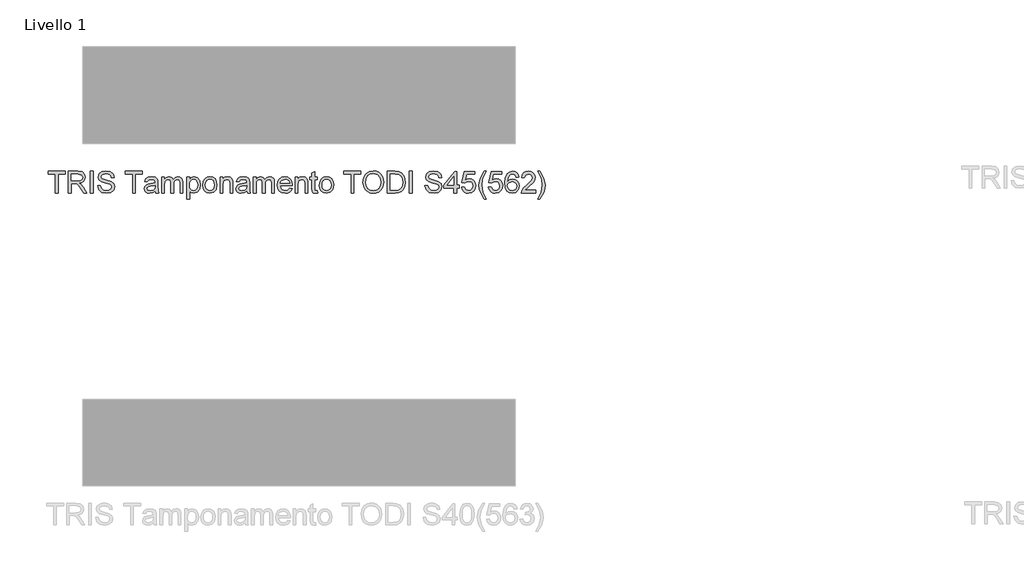
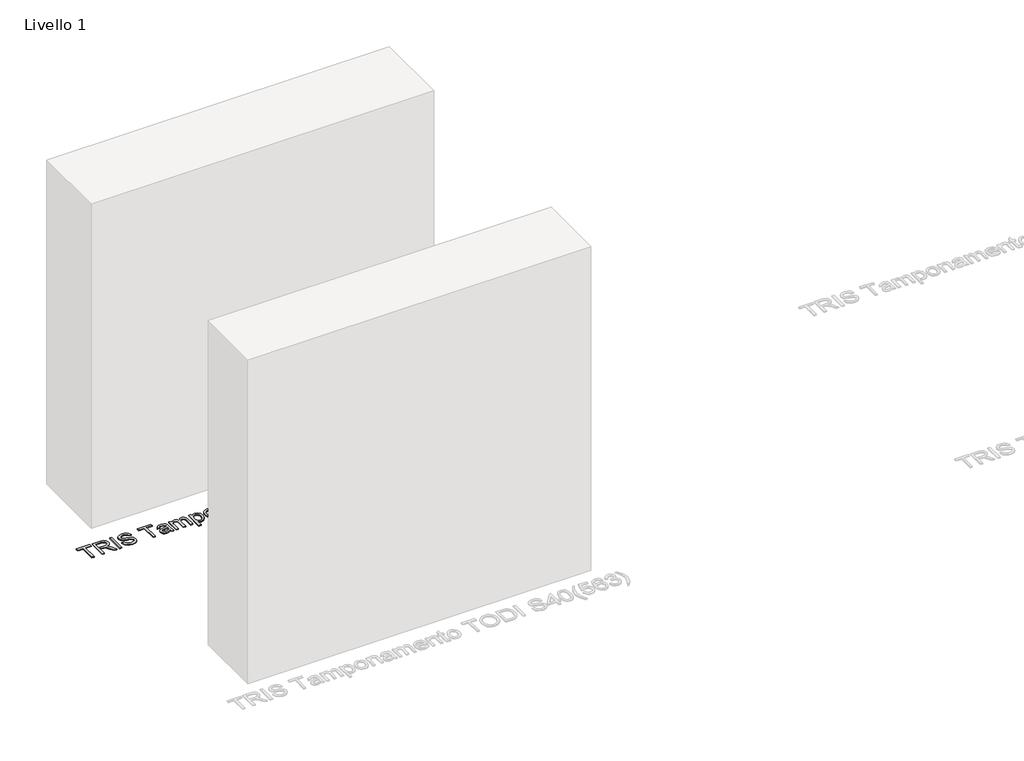
# One storey, part 13 of 18: 1 proxy.
"""IFC4 building model written with IfcOpenShell, lengths in millimetres."""

from ifc_helpers import new_model, si_unit, origin, origin_with_axes, place, context, project, spatial, polyline, outline, extrude, element, save

model = new_model("IFC4")

# Units and contexts
model_context = context("Model", 3, world=origin())
ifc_project = project(units=[si_unit("LENGTHUNIT", "METRE", prefix="MILLI")], contexts=[model_context])

# Site, building, storey
site = spatial("IfcSite", under=ifc_project)
building = spatial("IfcBuilding", under=site)
storey = spatial("IfcBuildingStorey", under=building, Name="Livello 1", Elevation=0.0)

# Proxy
placement = place(None, origin())
element("IfcBuildingElementProxy", 1, Name="100", ObjectType="100", at=placement, inside=storey, context=model_context, shape_type="SweptSolid", body=[
    extrude(outline(polyline([(-5546.4576679, 3147.1030238), (-5546.4576679, 3235.0022952), (-5579.4198946, 3235.0022952), (-5579.4198946, 3247.5593339), (-5500.9384023, 3247.5593339), (-5500.9384023, 3235.0022952), (-5533.9006291, 3235.0022952), (-5533.9006291, 3147.1030238), (-5546.4576679, 3147.1030238)])), origin_with_axes(), (0.0, 0.0, 1.0), 5.0),
    extrude(outline(polyline([(-5486.8117337, 3147.1030238), (-5486.8117337, 3247.5593339), (-5443.5242856, 3247.5593339), (-5423.4256659, 3244.8492699), (-5412.438257, 3235.2598126), (-5408.3302414, 3220.0662862), (-5410.0316956, 3210.1702605), (-5415.1360583, 3201.966492), (-5423.7966136, 3195.9516214), (-5436.1666457, 3192.6222893), (-5429.029735, 3187.2512122), (-5418.8516665, 3174.3262914), (-5402.100773, 3147.1030238), (-5416.6934254, 3147.1030238), (-5429.765499, 3167.9251447), (-5439.2078035, 3181.7084568), (-5445.8419422, 3188.2199681), (-5451.8138932, 3190.6112011), (-5459.0979567, 3191.0526595), (-5474.2546949, 3191.0526595), (-5474.2546949, 3147.1030238), (-5486.8117337, 3147.1030238)]), holes=[polyline([(-5474.2546949, 3203.6096982), (-5446.1485105, 3203.6096982), (-5431.8133754, 3205.3877945), (-5423.6709206, 3211.0777027), (-5420.8872802, 3219.6003023), (-5426.1970436, 3230.6612876), (-5442.9847254, 3235.0022952), (-5474.2546949, 3235.0022952), (-5474.2546949, 3203.6096982)])]), origin_with_axes(), (0.0, 0.0, 1.0), 5.0),
    extrude(outline(polyline([(-5384.7857937, 3147.1030238), (-5384.7857937, 3247.5593339), (-5372.2287549, 3247.5593339), (-5372.2287549, 3147.1030238), (-5384.7857937, 3147.1030238)])), origin_with_axes(), (0.0, 0.0, 1.0), 5.0),
    extrude(outline(polyline([(-5351.8235669, 3181.6348804), (-5339.2665282, 3181.6348804), (-5335.2198262, 3169.0655789), (-5325.3360633, 3161.1193278), (-5310.277427, 3158.0904327), (-5297.1563025, 3160.3835638), (-5288.6827538, 3166.6866087), (-5285.8991134, 3175.1111063), (-5287.9837781, 3182.9469928), (-5296.5186403, 3188.6491638), (-5314.8023755, 3193.4438924), (-5334.4840622, 3199.6365727), (-5345.1649028, 3208.9807754), (-5348.6843073, 3221.4642377), (-5344.331037, 3235.6767455), (-5331.6145827, 3245.7076612), (-5312.9997537, 3249.1289638), (-5293.134126, 3245.5482457), (-5279.8903742, 3235.0268206), (-5274.9117045, 3219.3059967), (-5287.4687433, 3219.3059967), (-5289.7741371, 3226.7985267), (-5294.5811285, 3232.206392), (-5312.5092444, 3236.571925), (-5330.4864112, 3232.2554429), (-5336.1272685, 3221.8321197), (-5332.1296175, 3213.1255792), (-5311.6263276, 3206.1112958), (-5289.4062551, 3199.808251), (-5277.2538865, 3189.6301824), (-5273.3420746, 3175.4299374), (-5277.8424977, 3160.4080893), (-5290.7919439, 3149.4452058), (-5309.7869176, 3145.5333939), (-5332.2154566, 3149.7517741), (-5346.4034389, 3162.4559657), (-5351.8235669, 3181.6348804)])), origin_with_axes(), (0.0, 0.0, 1.0), 5.0),
    extrude(outline(polyline([(-5190.1516928, 3147.1030238), (-5190.1516928, 3235.0022952), (-5223.1139196, 3235.0022952), (-5223.1139196, 3247.5593339), (-5144.6324273, 3247.5593339), (-5144.6324273, 3235.0022952), (-5177.594654, 3235.0022952), (-5177.594654, 3147.1030238), (-5190.1516928, 3147.1030238)])), origin_with_axes(), (0.0, 0.0, 1.0), 5.0),
    extrude(outline(polyline([(-5084.9864931, 3156.5208029), (-5097.1633872, 3148.010466), (-5110.6156054, 3145.5333939), (-5121.1094394, 3147.023316), (-5128.8502897, 3151.4930823), (-5133.6235586, 3158.2805051), (-5135.2146482, 3166.7233969), (-5132.8111525, 3176.6562107), (-5126.4958449, 3183.8666978), (-5117.7034652, 3187.9869762), (-5106.8386836, 3189.8754371), (-5085.0600695, 3194.1919192), (-5084.9864931, 3196.9878223), (-5088.4445839, 3206.2584486), (-5102.3259978, 3209.8882176), (-5115.0301894, 3207.4724592), (-5121.0879796, 3198.9008087), (-5133.6450183, 3200.4704385), (-5128.2126275, 3212.7331717), (-5117.2742696, 3219.9191334), (-5100.707317, 3222.4452564), (-5085.4892652, 3220.213439), (-5076.8930892, 3214.6093699), (-5073.042591, 3206.0867703), (-5072.4294543, 3195.0993614), (-5072.4294543, 3179.4766394), (-5071.7917922, 3157.661237), (-5069.2901947, 3147.1030238), (-5081.8472334, 3147.1030238), (-5084.9864931, 3156.5208029)]), holes=[polyline([(-5084.9864931, 3181.6348804), (-5105.2445283, 3177.7843822), (-5116.0479962, 3175.7487685), (-5120.9408268, 3172.4378305), (-5122.6576094, 3167.6063136), (-5118.9174758, 3160.8127595), (-5107.9423296, 3158.0904327), (-5095.238138, 3161.0948023), (-5087.0466323, 3168.3666031), (-5085.0600695, 3178.0786878), (-5084.9864931, 3181.6348804)])]), origin_with_axes(), (0.0, 0.0, 1.0), 5.0),
    extrude(outline(polyline([(-5055.163526, 3147.1030238), (-5055.163526, 3220.8756265), (-5042.6064873, 3220.8756265), (-5042.6064873, 3208.7355207), (-5033.9735231, 3218.6805973), (-5021.6862645, 3222.4452564), (-5009.1047002, 3218.6070209), (-5002.1885187, 3207.8526039), (-4992.3905949, 3218.7970933), (-4980.0174972, 3222.4452564), (-4970.5782583, 3220.9277432), (-4963.5976974, 3216.3752035), (-4959.284281, 3208.66501), (-4957.8464756, 3197.6745354), (-4957.8464756, 3147.1030238), (-4970.4035143, 3147.1030238), (-4970.4035143, 3192.2789328), (-4971.568474, 3202.7635696), (-4975.7868542, 3207.9261803), (-4982.9605531, 3209.8882176), (-4995.3091254, 3204.860497), (-4998.9971424, 3198.3183289), (-5000.2264814, 3188.7472656), (-5000.2264814, 3147.1030238), (-5012.7835202, 3147.1030238), (-5012.7835202, 3193.6768844), (-5015.689788, 3205.8415157), (-5025.2179316, 3209.8882176), (-5034.5130834, 3207.1904163), (-5040.6935009, 3199.2932162), (-5042.6064873, 3184.3081562), (-5042.6064873, 3147.1030238), (-5055.163526, 3147.1030238)])), origin_with_axes(), (0.0, 0.0, 1.0), 5.0),
    extrude(outline(polyline([(-4939.0109174, 3118.8496865), (-4939.0109174, 3220.8756265), (-4926.4538787, 3220.8756265), (-4926.4538787, 3208.5638424), (-4917.7718636, 3218.9749029), (-4906.0486907, 3222.4452564), (-4890.131663, 3217.5892141), (-4879.7328653, 3203.9040038), (-4876.2257236, 3184.5534109), (-4880.1865864, 3164.2095366), (-4891.6890301, 3150.3526481), (-4907.5692696, 3145.5333939), (-4918.4953648, 3148.7584928), (-4926.4538787, 3156.9132103), (-4926.4538787, 3118.8496865), (-4939.0109174, 3118.8496865)]), holes=[polyline([(-4926.4538787, 3183.400714), (-4925.095781, 3172.1435249), (-4921.0214879, 3164.2708502), (-4915.0096829, 3159.6355371), (-4907.8390497, 3158.0904327), (-4900.5519205, 3159.6907194), (-4894.3868314, 3164.4915794), (-4890.1837796, 3172.6524283), (-4888.7827624, 3184.3326817), (-4890.1500571, 3195.5285571), (-4894.2519413, 3203.5115964), (-4900.2545492, 3208.2940623), (-4907.3240149, 3209.8882176), (-4914.4210717, 3208.1928948), (-4920.6536059, 3203.1069262), (-4925.0038105, 3194.7897274), (-4926.4538787, 3183.400714)])]), origin_with_axes(), (0.0, 0.0, 1.0), 5.0),
    extrude(outline(polyline([(-4865.2383147, 3183.9893252), (-4862.5221193, 3201.7764196), (-4854.3735331, 3214.2782761), (-4844.3058291, 3220.4035113), (-4832.2515624, 3222.4452564), (-4819.0599272, 3219.9589872), (-4808.5231737, 3212.5001798), (-4801.6161893, 3200.6574452), (-4799.3138611, 3185.0193947), (-4803.3850885, 3162.6766949), (-4815.2431515, 3150.033817), (-4832.2515624, 3145.5333939), (-4845.6026132, 3148.010466), (-4856.1271039, 3155.4416823), (-4862.960512, 3167.5327372), (-4865.2383147, 3183.9893252)]), holes=[polyline([(-4852.6812759, 3184.0138506), (-4851.228142, 3172.6493627), (-4846.8687404, 3164.5528931), (-4840.3081781, 3159.7060478), (-4832.2515624, 3158.0904327), (-4824.2317349, 3159.7152448), (-4817.6834354, 3164.5896813), (-4813.3240338, 3172.7934498), (-4811.8708999, 3184.4062581), (-4813.3332308, 3195.4396523), (-4817.7202236, 3203.4257572), (-4824.2777202, 3208.2726025), (-4832.2515624, 3209.8882176), (-4840.3081781, 3208.2787339), (-4846.8687404, 3203.4502827), (-4851.228142, 3195.3722072), (-4852.6812759, 3184.0138506)])]), origin_with_axes(), (0.0, 0.0, 1.0), 5.0),
    extrude(outline(polyline([(-4785.1871925, 3147.1030238), (-4785.1871925, 3220.8756265), (-4772.6301537, 3220.8756265), (-4772.6301537, 3210.5749307), (-4763.0284337, 3219.477675), (-4749.9195719, 3222.4452564), (-4738.0615089, 3220.0540234), (-4729.968105, 3213.775504), (-4726.203446, 3204.541666), (-4725.5412584, 3192.4015601), (-4725.5412584, 3147.1030238), (-4738.0982971, 3147.1030238), (-4738.0982971, 3190.7093029), (-4739.5452996, 3201.8193392), (-4744.6588594, 3207.6931884), (-4753.2795608, 3209.8882176), (-4766.9034574, 3204.9585989), (-4771.1984796, 3197.8155568), (-4772.6301537, 3186.2456681), (-4772.6301537, 3147.1030238), (-4785.1871925, 3147.1030238)])), origin_with_axes(), (0.0, 0.0, 1.0), 5.0),
    extrude(outline(polyline([(-4661.1864347, 3156.5208029), (-4673.3633287, 3148.010466), (-4686.815547, 3145.5333939), (-4697.3093809, 3147.023316), (-4705.0502312, 3151.4930823), (-4709.8235001, 3158.2805051), (-4711.4145897, 3166.7233969), (-4709.011094, 3176.6562107), (-4702.6957865, 3183.8666978), (-4693.9034068, 3187.9869762), (-4683.0386252, 3189.8754371), (-4661.2600111, 3194.1919192), (-4661.1864347, 3196.9878223), (-4664.6445254, 3206.2584486), (-4678.5259394, 3209.8882176), (-4691.2301309, 3207.4724592), (-4697.2879211, 3198.9008087), (-4709.8449599, 3200.4704385), (-4704.4125691, 3212.7331717), (-4693.4742111, 3219.9191334), (-4676.9072586, 3222.4452564), (-4661.6892067, 3220.213439), (-4653.0930308, 3214.6093699), (-4649.2425326, 3206.0867703), (-4648.6293959, 3195.0993614), (-4648.6293959, 3179.4766394), (-4647.9917338, 3157.661237), (-4645.4901362, 3147.1030238), (-4658.047175, 3147.1030238), (-4661.1864347, 3156.5208029)]), holes=[polyline([(-4661.1864347, 3181.6348804), (-4681.4444699, 3177.7843822), (-4692.2479378, 3175.7487685), (-4697.1407683, 3172.4378305), (-4698.857551, 3167.6063136), (-4695.1174174, 3160.8127595), (-4684.1422712, 3158.0904327), (-4671.4380796, 3161.0948023), (-4663.2465738, 3168.3666031), (-4661.2600111, 3178.0786878), (-4661.1864347, 3181.6348804)])]), origin_with_axes(), (0.0, 0.0, 1.0), 5.0),
    extrude(outline(polyline([(-4631.3634676, 3147.1030238), (-4631.3634676, 3220.8756265), (-4618.8064288, 3220.8756265), (-4618.8064288, 3208.7355207), (-4610.1734647, 3218.6805973), (-4597.886206, 3222.4452564), (-4585.3046418, 3218.6070209), (-4578.3884603, 3207.8526039), (-4568.5905365, 3218.7970933), (-4556.2174387, 3222.4452564), (-4546.7781999, 3220.9277432), (-4539.797639, 3216.3752035), (-4535.4842226, 3208.66501), (-4534.0464171, 3197.6745354), (-4534.0464171, 3147.1030238), (-4546.6034559, 3147.1030238), (-4546.6034559, 3192.2789328), (-4547.7684156, 3202.7635696), (-4551.9867958, 3207.9261803), (-4559.1604947, 3209.8882176), (-4571.509067, 3204.860497), (-4575.197084, 3198.3183289), (-4576.426423, 3188.7472656), (-4576.426423, 3147.1030238), (-4588.9834617, 3147.1030238), (-4588.9834617, 3193.6768844), (-4591.8897295, 3205.8415157), (-4601.4178732, 3209.8882176), (-4610.7130249, 3207.1904163), (-4616.8934425, 3199.2932162), (-4618.8064288, 3184.3081562), (-4618.8064288, 3147.1030238), (-4631.3634676, 3147.1030238)])), origin_with_axes(), (0.0, 0.0, 1.0), 5.0),
    extrude(outline(polyline([(-4463.5602269, 3169.0778416), (-4451.2484428, 3167.5082118), (-4455.6844865, 3158.2314541), (-4462.7631492, 3151.2968785), (-4472.3250154, 3146.9742651), (-4484.2106695, 3145.5333939), (-4498.9443434, 3148.0196631), (-4510.2812402, 3155.4784705), (-4517.5101215, 3167.4254383), (-4519.9197485, 3183.3761885), (-4517.485596, 3199.8634333), (-4510.1831384, 3212.1936115), (-4498.9995257, 3219.8823452), (-4484.921908, 3222.4452564), (-4471.2826831, 3219.8884765), (-4460.384179, 3212.2181369), (-4453.2380712, 3199.9124842), (-4450.8560353, 3183.4497649), (-4450.9296117, 3180.0652505), (-4507.3627098, 3180.0652505), (-4505.1891403, 3170.6658656), (-4500.1399599, 3163.7558154), (-4492.8528307, 3159.5067784), (-4483.9654149, 3158.0904327), (-4471.6536308, 3160.7146576), (-4463.5602269, 3169.0778416)]), holes=[polyline([(-4507.3627098, 3192.6222893), (-4463.4130741, 3192.6222893), (-4468.4407947, 3204.0021057), (-4475.7616464, 3208.4166896), (-4484.970959, 3209.8882176), (-4500.4342655, 3205.1915908), (-4505.2995049, 3199.700952), (-4507.3627098, 3192.6222893)])]), origin_with_axes(), (0.0, 0.0, 1.0), 5.0),
    extrude(outline(polyline([(-4438.2989965, 3147.1030238), (-4438.2989965, 3220.8756265), (-4425.7419578, 3220.8756265), (-4425.7419578, 3210.5749307), (-4416.1402377, 3219.477675), (-4403.0313759, 3222.4452564), (-4391.1733129, 3220.0540234), (-4383.079909, 3213.775504), (-4379.31525, 3204.541666), (-4378.6530624, 3192.4015601), (-4378.6530624, 3147.1030238), (-4391.2101011, 3147.1030238), (-4391.2101011, 3190.7093029), (-4392.6571037, 3201.8193392), (-4397.7706634, 3207.6931884), (-4406.3913648, 3209.8882176), (-4420.0152614, 3204.9585989), (-4424.3102837, 3197.8155568), (-4425.7419578, 3186.2456681), (-4425.7419578, 3147.1030238), (-4438.2989965, 3147.1030238)])), origin_with_axes(), (0.0, 0.0, 1.0), 5.0),
    extrude(outline(polyline([(-4334.7034267, 3157.5753979), (-4333.1337968, 3146.7351418), (-4342.5270504, 3145.5333939), (-4353.0484755, 3147.6180586), (-4358.2969253, 3153.0872376), (-4359.8175042, 3167.3365335), (-4359.8175042, 3208.3185878), (-4369.2352833, 3208.3185878), (-4369.2352833, 3220.8756265), (-4359.8175042, 3220.8756265), (-4359.8175042, 3238.8037424), (-4347.2604655, 3246.1859078), (-4347.2604655, 3220.8756265), (-4334.7034267, 3220.8756265), (-4334.7034267, 3208.3185878), (-4347.2604655, 3208.3185878), (-4347.2604655, 3167.7044155), (-4346.5982779, 3161.2296924), (-4344.4522996, 3158.9365613), (-4340.1726057, 3158.0904327), (-4334.7034267, 3157.5753979)])), origin_with_axes(), (0.0, 0.0, 1.0), 5.0),
    extrude(outline(polyline([(-4325.2856476, 3183.9893252), (-4322.5694522, 3201.7764196), (-4314.420866, 3214.2782761), (-4304.3531621, 3220.4035113), (-4292.2988954, 3222.4452564), (-4279.1072602, 3219.9589872), (-4268.5705067, 3212.5001798), (-4261.6635222, 3200.6574452), (-4259.3611941, 3185.0193947), (-4263.4324215, 3162.6766949), (-4275.2904845, 3150.033817), (-4292.2988954, 3145.5333939), (-4305.6499461, 3148.010466), (-4316.1744369, 3155.4416823), (-4323.0078449, 3167.5327372), (-4325.2856476, 3183.9893252)]), holes=[polyline([(-4312.7286088, 3184.0138506), (-4311.275475, 3172.6493627), (-4306.9160733, 3164.5528931), (-4300.3555111, 3159.7060478), (-4292.2988954, 3158.0904327), (-4284.2790679, 3159.7152448), (-4277.7307684, 3164.5896813), (-4273.3713667, 3172.7934498), (-4271.9182328, 3184.4062581), (-4273.3805638, 3195.4396523), (-4277.7675566, 3203.4257572), (-4284.3250531, 3208.2726025), (-4292.2988954, 3209.8882176), (-4300.3555111, 3208.2787339), (-4306.9160733, 3203.4502827), (-4311.275475, 3195.3722072), (-4312.7286088, 3184.0138506)])]), origin_with_axes(), (0.0, 0.0, 1.0), 5.0),
    extrude(outline(polyline([(-4179.3100719, 3147.1030238), (-4179.3100719, 3235.0022952), (-4212.2722987, 3235.0022952), (-4212.2722987, 3247.5593339), (-4133.7908064, 3247.5593339), (-4133.7908064, 3235.0022952), (-4166.7530332, 3235.0022952), (-4166.7530332, 3147.1030238), (-4179.3100719, 3147.1030238)])), origin_with_axes(), (0.0, 0.0, 1.0), 5.0),
    extrude(outline(polyline([(-4124.3730273, 3196.0068037), (-4121.0253012, 3218.2207448), (-4110.9821227, 3235.0268206), (-4095.6475749, 3245.603428), (-4076.4257406, 3249.1289638), (-4063.2494338, 3247.4734948), (-4051.4342904, 3242.5070879), (-4041.6241039, 3234.5792309), (-4034.4626677, 3224.0394117), (-4030.0848719, 3211.3965338), (-4028.6256067, 3197.1595006), (-4030.161514, 3182.732395), (-4034.769236, 3169.9117075), (-4042.194321, 3159.3534942), (-4052.1823171, 3151.7138115), (-4063.896293, 3147.0784983), (-4076.499317, 3145.5333939), (-4089.8779589, 3147.2409795), (-4101.7605473, 3152.3637363), (-4111.5462084, 3160.4387461), (-4118.6340682, 3171.0030907), (-4124.3730273, 3196.0068037)]), holes=[polyline([(-4111.8159885, 3195.8841763), (-4109.3051939, 3180.1694838), (-4101.7728101, 3168.1949248), (-4090.4512417, 3160.6165557), (-4076.5728934, 3158.0904327), (-4062.49221, 3160.6410812), (-4051.1522475, 3168.2930267), (-4043.675046, 3180.6354676), (-4041.1826455, 3197.2576025), (-4045.4500766, 3217.9816215), (-4057.9212762, 3231.7036199), (-4076.3521642, 3236.571925), (-4089.8595648, 3234.2266773), (-4101.3436144, 3227.1909341), (-4109.197895, 3214.6737492), (-4111.8159885, 3195.8841763)])]), origin_with_axes(), (0.0, 0.0, 1.0), 5.0),
    extrude(outline(polyline([(-4011.3596784, 3147.1030238), (-4011.3596784, 3247.5593339), (-3976.7051944, 3247.5593339), (-3958.7770785, 3246.1123314), (-3944.0127478, 3238.9263698), (-3932.1178966, 3221.7585433), (-3928.1692965, 3197.8707391), (-3930.8425724, 3177.6004412), (-3937.709703, 3162.9710005), (-3946.8822274, 3153.8597898), (-3958.8874431, 3148.8198064), (-3975.0374627, 3147.1030238), (-4011.3596784, 3147.1030238)]), holes=[polyline([(-3998.8026396, 3159.6600625), (-3976.5825671, 3159.6600625), (-3960.4202848, 3161.4749471), (-3951.1006076, 3166.6007695), (-3943.4609248, 3179.0719692), (-3940.7263353, 3198.0669428), (-3942.0660389, 3211.7521531), (-3946.0851497, 3221.8566452), (-3959.1204351, 3232.9912069), (-3976.9259236, 3235.0022952), (-3998.8026396, 3235.0022952), (-3998.8026396, 3159.6600625)])]), origin_with_axes(), (0.0, 0.0, 1.0), 5.0),
    extrude(outline(polyline([(-3909.3337384, 3147.1030238), (-3909.3337384, 3247.5593339), (-3896.7766996, 3247.5593339), (-3896.7766996, 3147.1030238), (-3909.3337384, 3147.1030238)])), origin_with_axes(), (0.0, 0.0, 1.0), 5.0),
    extrude(outline(polyline([(-3837.1307655, 3181.6348804), (-3824.5737267, 3181.6348804), (-3820.5270248, 3169.0655789), (-3810.6432618, 3161.1193278), (-3795.5846255, 3158.0904327), (-3782.463501, 3160.3835638), (-3773.9899524, 3166.6866087), (-3771.2063119, 3175.1111063), (-3773.2909766, 3182.9469928), (-3781.8258389, 3188.6491638), (-3800.109574, 3193.4438924), (-3819.7912608, 3199.6365727), (-3830.4721014, 3208.9807754), (-3833.9915058, 3221.4642377), (-3829.6382355, 3235.6767455), (-3816.9217812, 3245.7076612), (-3798.3069522, 3249.1289638), (-3778.4413245, 3245.5482457), (-3765.1975727, 3235.0268206), (-3760.218903, 3219.3059967), (-3772.7759418, 3219.3059967), (-3775.0813356, 3226.7985267), (-3779.888327, 3232.206392), (-3797.8164429, 3236.571925), (-3815.7936098, 3232.2554429), (-3821.434467, 3221.8321197), (-3817.436816, 3213.1255792), (-3796.9335261, 3206.1112958), (-3774.7134536, 3199.808251), (-3762.5610851, 3189.6301824), (-3758.6492732, 3175.4299374), (-3763.1496962, 3160.4080893), (-3776.0991425, 3149.4452058), (-3795.0941162, 3145.5333939), (-3817.5226551, 3149.7517741), (-3831.7106374, 3162.4559657), (-3837.1307655, 3181.6348804)])), origin_with_axes(), (0.0, 0.0, 1.0), 5.0),
    extrude(outline(polyline([(-3703.7122286, 3147.1030238), (-3703.7122286, 3170.6474715), (-3749.2314941, 3170.6474715), (-3749.2314941, 3183.2045102), (-3700.5729689, 3245.9897041), (-3691.1551898, 3245.9897041), (-3691.1551898, 3183.2045102), (-3678.598151, 3183.2045102), (-3678.598151, 3170.6474715), (-3691.1551898, 3170.6474715), (-3691.1551898, 3147.1030238), (-3703.7122286, 3147.1030238)]), holes=[polyline([(-3703.7122286, 3183.2045102), (-3703.7122286, 3222.003798), (-3733.7804503, 3183.2045102), (-3703.7122286, 3183.2045102)])]), origin_with_axes(), (0.0, 0.0, 1.0), 5.0),
    extrude(outline(polyline([(-3667.6107421, 3173.7867312), (-3655.0537033, 3175.356361), (-3648.726133, 3162.4191775), (-3635.6050085, 3158.0904327), (-3626.6041624, 3159.5956832), (-3619.8596591, 3164.1114347), (-3615.6474103, 3171.116521), (-3614.2433273, 3180.089776), (-3619.5040399, 3195.0012596), (-3626.1105874, 3199.1031438), (-3635.4088048, 3200.4704385), (-3646.4330019, 3198.287672), (-3653.4840735, 3192.6222893), (-3666.0411123, 3194.1919192), (-3655.0537033, 3245.9897041), (-3606.3951781, 3245.9897041), (-3606.3951781, 3233.4326653), (-3644.9001603, 3233.4326653), (-3650.2712374, 3205.7679393), (-3641.3010481, 3211.2125928), (-3631.9016631, 3213.0274773), (-3620.1692931, 3210.7772658), (-3610.4296173, 3204.0266312), (-3603.8721207, 3193.738198), (-3601.6862886, 3180.8745909), (-3603.6544572, 3168.3175522), (-3609.5589633, 3157.5753979), (-3620.8652032, 3148.5438949), (-3635.6540594, 3145.5333939), (-3647.9873033, 3147.4678401), (-3657.8128183, 3153.2711786), (-3664.5481245, 3162.268959), (-3667.6107421, 3173.7867312)])), origin_with_axes(), (0.0, 0.0, 1.0), 5.0),
    extrude(outline(polyline([(-3562.4455424, 3118.8496865), (-3580.2755564, 3148.3047716), (-3585.7386041, 3165.4848608), (-3587.5596199, 3183.2780866), (-3582.1149664, 3213.8122922), (-3562.4455424, 3247.5593339), (-3553.0277633, 3247.5593339), (-3564.7754617, 3227.6691807), (-3571.838796, 3208.3921642), (-3575.0025812, 3183.2045102), (-3569.5088767, 3151.0148357), (-3553.0277633, 3118.8496865), (-3562.4455424, 3118.8496865)])), origin_with_axes(), (0.0, 0.0, 1.0), 5.0),
    extrude(outline(polyline([(-3543.6099843, 3173.7867312), (-3531.0529455, 3175.356361), (-3524.7253752, 3162.4191775), (-3511.6042507, 3158.0904327), (-3502.6034045, 3159.5956832), (-3495.8589013, 3164.1114347), (-3491.6466524, 3171.116521), (-3490.2425695, 3180.089776), (-3495.503282, 3195.0012596), (-3502.1098295, 3199.1031438), (-3511.4080469, 3200.4704385), (-3522.4322441, 3198.287672), (-3529.4833156, 3192.6222893), (-3542.0403544, 3194.1919192), (-3531.0529455, 3245.9897041), (-3482.3944203, 3245.9897041), (-3482.3944203, 3233.4326653), (-3520.8994024, 3233.4326653), (-3526.2704795, 3205.7679393), (-3517.3002902, 3211.2125928), (-3507.9009053, 3213.0274773), (-3496.1685353, 3210.7772658), (-3486.4288595, 3204.0266312), (-3479.8713629, 3193.738198), (-3477.6855307, 3180.8745909), (-3479.6536994, 3168.3175522), (-3485.5582054, 3157.5753979), (-3496.8644454, 3148.5438949), (-3511.6533016, 3145.5333939), (-3523.9865455, 3147.4678401), (-3533.8120605, 3153.2711786), (-3540.5473666, 3162.268959), (-3543.6099843, 3173.7867312)])), origin_with_axes(), (0.0, 0.0, 1.0), 5.0),
    extrude(outline(polyline([(-3402.3432981, 3220.8756265), (-3414.9003369, 3219.3059967), (-3419.6582773, 3229.7783708), (-3432.2398416, 3235.0022952), (-3443.570607, 3231.9611373), (-3452.1422575, 3220.5445327), (-3455.7107129, 3198.1650447), (-3444.6374648, 3208.1836977), (-3430.9154664, 3211.4578475), (-3419.3149208, 3209.2198987), (-3409.5783107, 3202.5060523), (-3402.9748289, 3192.248276), (-3400.7736683, 3179.3785375), (-3404.9184721, 3162.0512955), (-3416.3228139, 3149.7885623), (-3432.7794018, 3145.5333939), (-3447.0256321, 3148.3538226), (-3458.371726, 3156.8151085), (-3465.7937452, 3171.7511175), (-3468.2677516, 3193.9957154), (-3465.5208994, 3219.0055597), (-3457.2803427, 3236.1059411), (-3446.029285, 3244.6959857), (-3431.4550267, 3247.5593339), (-3420.4369609, 3245.787369), (-3411.6139244, 3240.4714742), (-3405.4335069, 3232.0285824), (-3402.3432981, 3220.8756265)]), holes=[polyline([(-3455.7107129, 3179.5747412), (-3452.8044451, 3168.6976969), (-3445.0789232, 3160.8004967), (-3433.7604205, 3158.0904327), (-3425.4738786, 3159.4945157), (-3418.9593016, 3163.7067645), (-3414.7378557, 3170.3286404), (-3413.330707, 3178.9616046), (-3414.7194616, 3187.2481465), (-3418.8857252, 3193.5665198), (-3425.5106668, 3197.5672365), (-3434.2754553, 3198.9008087), (-3449.4689817, 3193.5665198), (-3454.1502801, 3187.4014307), (-3455.7107129, 3179.5747412)])]), origin_with_axes(), (0.0, 0.0, 1.0), 5.0),
    extrude(outline(polyline([(-3325.4314356, 3159.6600625), (-3325.4314356, 3147.1030238), (-3391.3558892, 3147.1030238), (-3390.0069885, 3155.7605134), (-3382.3795685, 3169.0901044), (-3366.6587446, 3183.6459686), (-3344.9782323, 3204.5661914), (-3339.5581043, 3218.7909619), (-3344.671664, 3230.3056684), (-3358.0257804, 3235.0022952), (-3371.9439826, 3230.416033), (-3377.2292206, 3217.7363669), (-3389.7862593, 3219.3059967), (-3386.7420358, 3231.4522339), (-3380.1600138, 3240.3243214), (-3370.3835498, 3245.7505808), (-3357.7560003, 3247.5593339), (-3345.0364803, 3245.5482457), (-3335.2784104, 3239.514981), (-3329.0704017, 3230.5018721), (-3327.0010655, 3219.5512514), (-3329.2328829, 3207.6441375), (-3336.6518365, 3195.3323533), (-3354.6412661, 3178.1277387), (-3369.0867657, 3166.0489465), (-3374.7521485, 3159.6600625), (-3325.4314356, 3159.6600625)])), origin_with_axes(), (0.0, 0.0, 1.0), 5.0),
    extrude(outline(polyline([(-3306.5958775, 3118.8496865), (-3316.0136566, 3118.8496865), (-3299.5325432, 3151.0148357), (-3294.0388387, 3183.2045102), (-3297.2026239, 3208.171435), (-3304.1923818, 3227.472977), (-3316.0136566, 3247.5593339), (-3306.5958775, 3247.5593339), (-3286.9264535, 3213.8122922), (-3281.4818, 3183.2780866), (-3283.3120129, 3165.4848608), (-3288.8026517, 3148.3047716), (-3306.5958775, 3118.8496865)])), origin_with_axes(), (0.0, 0.0, 1.0), 5.0),
])

save(model, "model.ifc")
